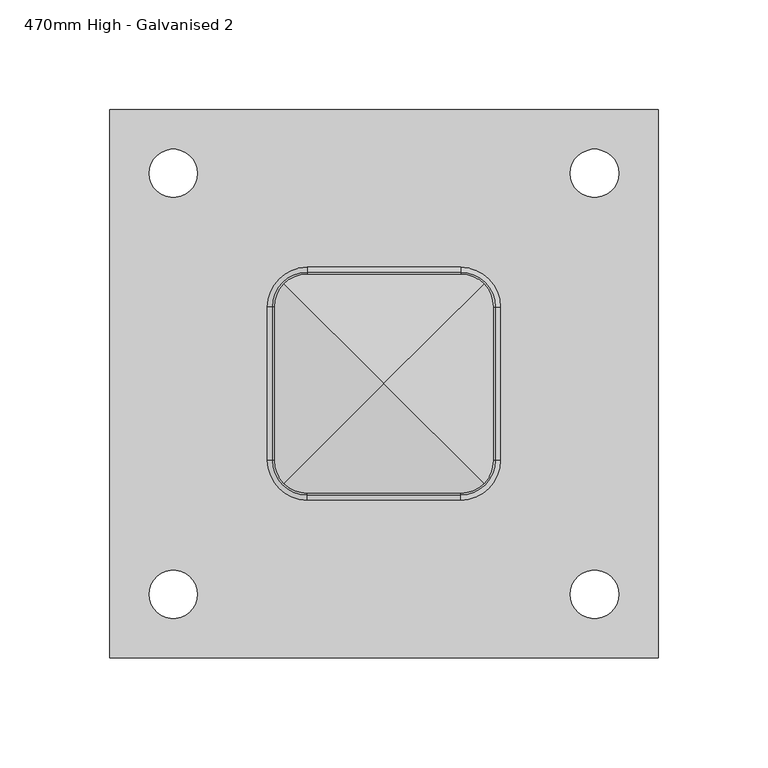
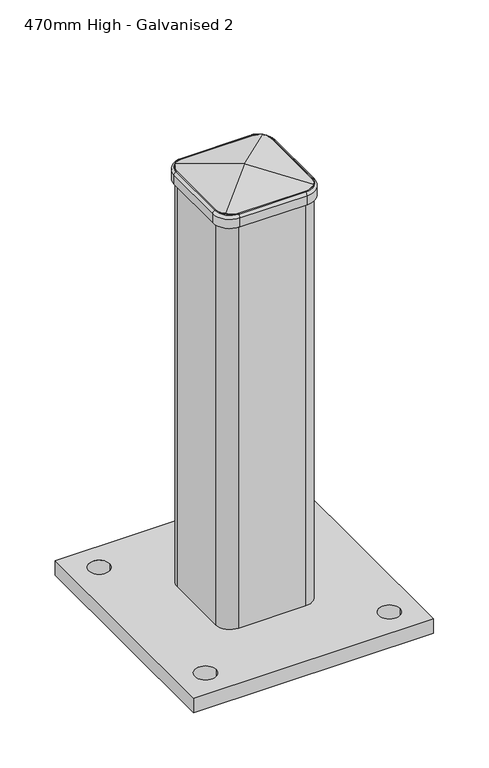
"""IFC4 building model written with IfcOpenShell, lengths in millimetres: proxy geometry, 470mm High - Galvanised 2."""

from ifc_helpers import new_model, si_unit, point, frame, origin, place, context, project, spatial, polyline, circle_curve, ellipse_curve, trimmed, source, transform, mapped, element, save
from ifc_brep_helpers import plane_surface, cylinder_surface, revolved_surface, advanced_brep


def proxy_470mm_high_galvanised_2_af243f26(model_context):
    return source(origin(), model_context, "Body", "AdvancedBrep", [
        advanced_brep(
        [(1345.0, -125.0, 16.0), (1345.0, 125.0, 16.0), (1095.0, 125.0, 16.0), (1095.0, -125.0, 16.0), (1113.0, 96.0, 16.0), (1135.0, 96.0, 16.0), (1305.0, 96.0, 16.0), (1327.0, 96.0, 16.0), (1113.0, -96.0, 16.0), (1135.0, -96.0, 16.0), (1305.0, -96.0, 16.0), (1327.0, -96.0, 16.0), (1270.0, 35.0, 16.0), (1270.0, -35.0, 16.0), (1255.0, -50.0, 16.0), (1185.0, -50.0, 16.0), (1170.0, -35.0, 16.0), (1170.0, 35.0, 16.0), (1185.0, 50.0, 16.0), (1255.0, 50.0, 16.0), (1264.0, 35.0, 16.0), (1255.0, 44.0, 16.0), (1185.0, 44.0, 16.0), (1176.0, 35.0, 16.0), (1176.0, -35.0, 16.0), (1185.0, -44.0, 16.0), (1255.0, -44.0, 16.0), (1264.0, -35.0, 16.0), (1345.0, -125.0, 0.0), (1095.0, -125.0, 0.0), (1095.0, 125.0, 0.0), (1345.0, 125.0, 0.0), (1113.0, 96.0, 0.0), (1135.0, 96.0, 0.0), (1305.0, 96.0, 0.0), (1327.0, 96.0, 0.0), (1113.0, -96.0, 0.0), (1135.0, -96.0, 0.0), (1305.0, -96.0, 0.0), (1327.0, -96.0, 0.0), (1270.0, -35.0, 470.0), (1270.0, 35.0, 470.0), (1255.0, 50.0, 470.0), (1185.0, 50.0, 470.0), (1170.0, 35.0, 470.0), (1170.0, -35.0, 470.0), (1185.0, -50.0, 470.0), (1255.0, -50.0, 470.0), (1255.0, 44.0, 470.0), (1264.0, 35.0, 470.0), (1264.0, -35.0, 470.0), (1255.0, -44.0, 470.0), (1185.0, -44.0, 470.0), (1176.0, -35.0, 470.0), (1176.0, 35.0, 470.0), (1185.0, 44.0, 470.0)],
        [
            (0, 1),
            (1, 2),
            (2, 3),
            (3, 0),
            (4, 5, circle_curve(frame((1124.0, 96.0, 16.0), z_axis=(0.0, 0.0, -1.0), x_axis=(1.0, 0.0, 0.0)), 11.0)),
            (5, 4, circle_curve(frame((1124.0, 96.0, 16.0), z_axis=(0.0, 0.0, -1.0), x_axis=(1.0, 0.0, 0.0)), 11.0)),
            (6, 7, circle_curve(frame((1316.0, 96.0, 16.0), z_axis=(0.0, 0.0, -1.0), x_axis=(1.0, 0.0, 0.0)), 11.0)),
            (7, 6, circle_curve(frame((1316.0, 96.0, 16.0), z_axis=(0.0, 0.0, -1.0), x_axis=(1.0, 0.0, 0.0)), 11.0)),
            (8, 9, circle_curve(frame((1124.0, -96.0, 16.0), z_axis=(0.0, 0.0, -1.0), x_axis=(1.0, 0.0, 0.0)), 11.0)),
            (9, 8, circle_curve(frame((1124.0, -96.0, 16.0), z_axis=(0.0, 0.0, -1.0), x_axis=(1.0, 0.0, 0.0)), 11.0)),
            (10, 11, circle_curve(frame((1316.0, -96.0, 16.0), z_axis=(0.0, 0.0, -1.0), x_axis=(1.0, 0.0, 0.0)), 11.0)),
            (11, 10, circle_curve(frame((1316.0, -96.0, 16.0), z_axis=(0.0, 0.0, -1.0), x_axis=(1.0, 0.0, 0.0)), 11.0)),
            (12, 13),
            (13, 14, circle_curve(frame((1255.0, -35.0, 16.0), z_axis=(0.0, 0.0, -1.0), x_axis=(-1.0, 0.0, 0.0)), 15.0)),
            (14, 15),
            (15, 16, circle_curve(frame((1185.0, -35.0, 16.0), z_axis=(0.0, 0.0, -1.0), x_axis=(-1.0, 0.0, 0.0)), 15.0)),
            (16, 17),
            (17, 18, circle_curve(frame((1185.0, 35.0, 16.0), z_axis=(0.0, 0.0, -1.0), x_axis=(-1.0, 0.0, 0.0)), 15.0)),
            (18, 19),
            (19, 12, circle_curve(frame((1255.0, 35.0, 16.0), z_axis=(0.0, 0.0, -1.0), x_axis=(-1.0, 0.0, 0.0)), 15.0)),
            (20, 21, circle_curve(frame((1255.0, 35.0, 16.0), z_axis=(0.0, 0.0, 1.0), x_axis=(-1.0, 0.0, 0.0)), 9.0)),
            (21, 22),
            (22, 23, circle_curve(frame((1185.0, 35.0, 16.0), z_axis=(0.0, 0.0, 1.0), x_axis=(-1.0, 0.0, 0.0)), 9.0)),
            (23, 24),
            (24, 25, circle_curve(frame((1185.0, -35.0, 16.0), z_axis=(0.0, 0.0, 1.0), x_axis=(-1.0, 0.0, 0.0)), 9.0)),
            (25, 26),
            (26, 27, circle_curve(frame((1255.0, -35.0, 16.0), z_axis=(0.0, 0.0, 1.0), x_axis=(-1.0, 0.0, 0.0)), 9.0)),
            (27, 20),
            (28, 29),
            (29, 30),
            (30, 31),
            (31, 28),
            (32, 33, circle_curve(frame((1124.0, 96.0, 0.0), z_axis=(0.0, 0.0, 1.0), x_axis=(1.0, 0.0, 0.0)), 11.0)),
            (33, 32, circle_curve(frame((1124.0, 96.0, 0.0), z_axis=(0.0, 0.0, 1.0), x_axis=(1.0, 0.0, 0.0)), 11.0)),
            (34, 35, circle_curve(frame((1316.0, 96.0, 0.0), z_axis=(0.0, 0.0, 1.0), x_axis=(1.0, 0.0, 0.0)), 11.0)),
            (35, 34, circle_curve(frame((1316.0, 96.0, 0.0), z_axis=(0.0, 0.0, 1.0), x_axis=(1.0, 0.0, 0.0)), 11.0)),
            (36, 37, circle_curve(frame((1124.0, -96.0, 0.0), z_axis=(0.0, 0.0, 1.0), x_axis=(1.0, 0.0, 0.0)), 11.0)),
            (37, 36, circle_curve(frame((1124.0, -96.0, 0.0), z_axis=(0.0, 0.0, 1.0), x_axis=(1.0, 0.0, 0.0)), 11.0)),
            (38, 39, circle_curve(frame((1316.0, -96.0, 0.0), z_axis=(0.0, 0.0, 1.0), x_axis=(1.0, 0.0, 0.0)), 11.0)),
            (39, 38, circle_curve(frame((1316.0, -96.0, 0.0), z_axis=(0.0, 0.0, 1.0), x_axis=(1.0, 0.0, 0.0)), 11.0)),
            (0, 28),
            (31, 1),
            (30, 2),
            (29, 3),
            (4, 32),
            (33, 5),
            (6, 34),
            (35, 7),
            (8, 36),
            (37, 9),
            (10, 38),
            (39, 11),
            (40, 41),
            (41, 42, circle_curve(frame((1255.0, 35.0, 470.0), z_axis=(0.0, 0.0, 1.0), x_axis=(-1.0, 0.0, 0.0)), 15.0)),
            (42, 43),
            (43, 44, circle_curve(frame((1185.0, 35.0, 470.0), z_axis=(0.0, 0.0, 1.0), x_axis=(-1.0, 0.0, 0.0)), 15.0)),
            (44, 45),
            (45, 46, circle_curve(frame((1185.0, -35.0, 470.0), z_axis=(0.0, 0.0, 1.0), x_axis=(-1.0, 0.0, 0.0)), 15.0)),
            (46, 47),
            (47, 40, circle_curve(frame((1255.0, -35.0, 470.0), z_axis=(0.0, 0.0, 1.0), x_axis=(-1.0, 0.0, 0.0)), 15.0)),
            (48, 49, circle_curve(frame((1255.0, 35.0, 470.0), z_axis=(0.0, 0.0, -1.0), x_axis=(-1.0, 0.0, 0.0)), 9.0)),
            (49, 50),
            (50, 51, circle_curve(frame((1255.0, -35.0, 470.0), z_axis=(0.0, 0.0, -1.0), x_axis=(-1.0, 0.0, 0.0)), 9.0)),
            (51, 52),
            (52, 53, circle_curve(frame((1185.0, -35.0, 470.0), z_axis=(0.0, 0.0, -1.0), x_axis=(-1.0, 0.0, 0.0)), 9.0)),
            (53, 54),
            (54, 55, circle_curve(frame((1185.0, 35.0, 470.0), z_axis=(0.0, 0.0, -1.0), x_axis=(-1.0, 0.0, 0.0)), 9.0)),
            (55, 48),
            (40, 13),
            (12, 41),
            (19, 42),
            (18, 43),
            (17, 44),
            (16, 45),
            (15, 46),
            (14, 47),
            (48, 21),
            (20, 49),
            (27, 50),
            (26, 51),
            (25, 52),
            (24, 53),
            (23, 54),
            (22, 55),
        ],
        [
            plane_surface(frame((1345.0, 314.3329913, 16.0), z_axis=(0.0, 0.0, 1.0), x_axis=(0.0, 1.0, 0.0))),
            plane_surface(frame((1345.0, 314.3329913, 0.0), z_axis=(0.0, 0.0, -1.0), x_axis=(0.0, -1.0, 0.0))),
            plane_surface(frame((1345.0, -125.0, 16.0), z_axis=(1.0, 0.0, 0.0), x_axis=(0.0, 0.0, -1.0))),
            plane_surface(frame((1345.0, 125.0, 16.0), z_axis=(0.0, 1.0, 0.0), x_axis=(0.0, 0.0, -1.0))),
            plane_surface(frame((1095.0, 125.0, 16.0), z_axis=(-1.0, 0.0, 0.0), x_axis=(0.0, 0.0, -1.0))),
            plane_surface(frame((1095.0, -125.0, 16.0), z_axis=(0.0, -1.0, 0.0), x_axis=(0.0, 0.0, -1.0))),
            revolved_surface(polyline([(1135.0, 96.0, 0.0), (1135.0, 96.0, 16.0)]), (1124.0, 96.0, 0.0), (0.0, 0.0, -1.0)),
            revolved_surface(polyline([(1327.0, 96.0, 0.0), (1327.0, 96.0, 16.0)]), (1316.0, 96.0, 0.0), (0.0, 0.0, -1.0)),
            revolved_surface(polyline([(1135.0, -96.0, 0.0), (1135.0, -96.0, 16.0)]), (1124.0, -96.0, 0.0), (0.0, 0.0, -1.0)),
            revolved_surface(polyline([(1327.0, -96.0, 0.0), (1327.0, -96.0, 16.0)]), (1316.0, -96.0, 0.0), (0.0, 0.0, -1.0)),
            plane_surface(frame((1270.0, 314.3329913, 470.0), z_axis=(0.0, 0.0, 1.0), x_axis=(0.0, 1.0, 0.0))),
            plane_surface(frame((1270.0, -35.0, 470.0), z_axis=(1.0, 0.0, 0.0), x_axis=(0.0, 0.0, -1.0))),
            cylinder_surface(frame((1255.0, 35.0, 16.0), z_axis=(0.0, 0.0, 1.0), x_axis=(-1.0, 0.0, 0.0)), 15.0),
            plane_surface(frame((1255.0, 50.0, 470.0), z_axis=(0.0, 1.0, 0.0), x_axis=(0.0, 0.0, -1.0))),
            cylinder_surface(frame((1185.0, 35.0, 16.0), z_axis=(0.0, 0.0, 1.0), x_axis=(-1.0, 0.0, 0.0)), 15.0),
            plane_surface(frame((1170.0, 35.0, 470.0), z_axis=(-1.0, 0.0, 0.0), x_axis=(0.0, 0.0, -1.0))),
            cylinder_surface(frame((1185.0, -35.0, 16.0), z_axis=(0.0, 0.0, 1.0), x_axis=(-1.0, 0.0, 0.0)), 15.0),
            plane_surface(frame((1185.0, -50.0, 470.0), z_axis=(0.0, -1.0, 0.0), x_axis=(0.0, 0.0, -1.0))),
            cylinder_surface(frame((1255.0, -35.0, 16.0), z_axis=(0.0, 0.0, 1.0), x_axis=(-1.0, 0.0, 0.0)), 15.0),
            revolved_surface(polyline([(1246.0, 35.0, 16.0), (1246.0, 35.0, 470.0)]), (1255.0, 35.0, 16.0), (0.0, 0.0, -1.0)),
            plane_surface(frame((1264.0, 35.0, 470.0), z_axis=(-1.0, 0.0, 0.0), x_axis=(0.0, 0.0, -1.0))),
            revolved_surface(polyline([(1246.0, -35.0, 16.0), (1246.0, -35.0, 470.0)]), (1255.0, -35.0, 16.0), (0.0, 0.0, -1.0)),
            plane_surface(frame((1255.0, -44.0, 470.0), z_axis=(0.0, 1.0, 0.0), x_axis=(0.0, 0.0, -1.0))),
            revolved_surface(polyline([(1176.0, -35.0, 16.0), (1176.0, -35.0, 470.0)]), (1185.0, -35.0, 16.0), (0.0, 0.0, -1.0)),
            plane_surface(frame((1176.0, -35.0, 470.0), z_axis=(1.0, 0.0, 0.0), x_axis=(0.0, 0.0, -1.0))),
            revolved_surface(polyline([(1176.0, 35.0, 16.0), (1176.0, 35.0, 470.0)]), (1185.0, 35.0, 16.0), (0.0, 0.0, -1.0)),
            plane_surface(frame((1185.0, 44.0, 470.0), z_axis=(0.0, -1.0, 0.0), x_axis=(0.0, 0.0, -1.0))),
        ],
        [
            (0, [[1, 2, 3, 4], [5, 6], [7, 8], [9, 10], [11, 12], [13, 14, 15, 16, 17, 18, 19, 20]]),
            (0, [[21, 22, 23, 24, 25, 26, 27, 28]]),
            (1, [[29, 30, 31, 32], [33, 34], [35, 36], [37, 38], [39, 40]]),
            (2, [[-1, 41, -32, 42]]),
            (3, [[-2, -42, -31, 43]]),
            (4, [[-3, -43, -30, 44]]),
            (5, [[-4, -44, -29, -41]]),
            (6, [[-5, 45, -34, 46]]),
            (6, [[-6, -46, -33, -45]]),
            (7, [[-7, 47, -36, 48]]),
            (7, [[-8, -48, -35, -47]]),
            (8, [[-9, 49, -38, 50]]),
            (8, [[-10, -50, -37, -49]]),
            (9, [[-11, 51, -40, 52]]),
            (9, [[-12, -52, -39, -51]]),
            (10, [[53, 54, 55, 56, 57, 58, 59, 60], [61, 62, 63, 64, 65, 66, 67, 68]]),
            (11, [[-53, 69, -13, 70]]),
            (12, [[-54, -70, -20, 71]]),
            (13, [[-55, -71, -19, 72]]),
            (14, [[-56, -72, -18, 73]]),
            (15, [[-57, -73, -17, 74]]),
            (16, [[-58, -74, -16, 75]]),
            (17, [[-59, -75, -15, 76]]),
            (18, [[-60, -76, -14, -69]]),
            (19, [[-61, 77, -21, 78]]),
            (20, [[-62, -78, -28, 79]]),
            (21, [[-63, -79, -27, 80]]),
            (22, [[-64, -80, -26, 81]]),
            (23, [[-65, -81, -25, 82]]),
            (24, [[-66, -82, -24, 83]]),
            (25, [[-67, -83, -23, 84]]),
            (26, [[-68, -84, -22, -77]]),
        ],
    ),
        advanced_brep(
        [(1255.0, -50.0, 473.0849886), (1270.0, -35.0, 473.0849886), (1270.0, -35.0, 460.0), (1255.0, -50.0, 460.0), (1255.0, -50.771088, 472.899696), (1270.771088, -35.0, 472.899696), (1255.0, -53.0701411, 469.9827329), (1273.0701411, -35.0, 469.9827329), (1255.0, -53.0701411, 460.0), (1273.0701411, -35.0, 460.0), (1185.0, -50.0, 460.0), (1185.0, -50.0, 473.0849886), (1185.0, -50.771088, 472.899696), (1185.0, -53.0701411, 469.9827329), (1185.0, -53.0701411, 460.0), (1170.0, -35.0, 473.0849886), (1170.0, -35.0, 460.0), (1169.228912, -35.0, 472.899696), (1166.9298589, -35.0, 469.9827329), (1166.9298589, -35.0, 460.0), (1170.0, 35.0, 460.0), (1170.0, 35.0, 473.0849886), (1169.228912, 35.0, 472.899696), (1166.9298589, 35.0, 469.9827329), (1166.9298589, 35.0, 460.0), (1185.0, 50.0, 473.0849886), (1185.0, 50.0, 460.0), (1185.0, 50.771088, 472.899696), (1185.0, 53.0701411, 469.9827329), (1185.0, 53.0701411, 460.0), (1255.0, 50.0, 460.0), (1255.0, 50.0, 473.0849886), (1255.0, 50.771088, 472.899696), (1255.0, 53.0701411, 469.9827329), (1255.0, 53.0701411, 460.0), (1270.0, 35.0, 473.0849886), (1270.0, 35.0, 460.0), (1270.771088, 35.0, 472.899696), (1273.0701411, 35.0, 469.9827329), (1273.0701411, 35.0, 460.0)],
        [
            (0, 1, circle_curve(frame((1255.0, -35.0, 473.0849886), z_axis=(0.0, 0.0, 1.0), x_axis=(1.0, 0.0, 0.0)), 15.0)),
            (1, 2),
            (2, 3, circle_curve(frame((1255.0, -35.0, 460.0), z_axis=(0.0, 0.0, -1.0), x_axis=(1.0, 0.0, 0.0)), 15.0)),
            (3, 0),
            (4, 5, circle_curve(frame((1255.0, -35.0, 472.899696), z_axis=(0.0, 0.0, 1.0), x_axis=(1.0, 0.0, 0.0)), 15.771088)),
            (5, 1),
            (0, 4),
            (6, 7, circle_curve(frame((1255.0, -35.0, 469.9827329), z_axis=(0.0, 0.0, 1.0), x_axis=(1.0, 0.0, 0.0)), 18.0701411)),
            (7, 5, circle_curve(frame((1270.0701411, -35.0, 469.9827329), z_axis=(0.0, -1.0, 0.0), x_axis=(-1.0, 0.0, 0.0)), 3.0)),
            (4, 6, circle_curve(frame((1255.0, -50.0701411, 469.9827329), z_axis=(1.0, 0.0, 0.0), x_axis=(0.0, 1.0, 0.0)), 3.0)),
            (8, 9, circle_curve(frame((1255.0, -35.0, 460.0), z_axis=(0.0, 0.0, 1.0), x_axis=(1.0, 0.0, 0.0)), 18.0701411)),
            (9, 7),
            (6, 8),
            (3, 10),
            (10, 11),
            (11, 0),
            (11, 12),
            (12, 4),
            (12, 13, circle_curve(frame((1185.0, -50.0701411, 469.9827329), z_axis=(1.0, 0.0, 0.0), x_axis=(0.0, 1.0, 0.0)), 3.0)),
            (13, 6),
            (13, 14),
            (14, 8),
            (15, 11, circle_curve(frame((1185.0, -35.0, 473.0849886), z_axis=(0.0, 0.0, 1.0), x_axis=(0.0, -1.0, 0.0)), 15.0)),
            (10, 16, circle_curve(frame((1185.0, -35.0, 460.0), z_axis=(0.0, 0.0, -1.0), x_axis=(0.0, -1.0, 0.0)), 15.0)),
            (16, 15),
            (17, 12, circle_curve(frame((1185.0, -35.0, 472.899696), z_axis=(0.0, 0.0, 1.0), x_axis=(0.0, -1.0, 0.0)), 15.771088)),
            (15, 17),
            (18, 13, circle_curve(frame((1185.0, -35.0, 469.9827329), z_axis=(0.0, 0.0, 1.0), x_axis=(0.0, -1.0, 0.0)), 18.0701411)),
            (17, 18, circle_curve(frame((1169.9298589, -35.0, 469.9827329), z_axis=(0.0, -1.0, 0.0), x_axis=(1.0, 0.0, 0.0)), 3.0)),
            (19, 14, circle_curve(frame((1185.0, -35.0, 460.0), z_axis=(0.0, 0.0, 1.0), x_axis=(0.0, -1.0, 0.0)), 18.0701411)),
            (18, 19),
            (16, 20),
            (20, 21),
            (21, 15),
            (21, 22),
            (22, 17),
            (22, 23, circle_curve(frame((1169.9298589, 35.0, 469.9827329), z_axis=(0.0, -1.0, 0.0), x_axis=(1.0, 0.0, 0.0)), 3.0)),
            (23, 18),
            (23, 24),
            (24, 19),
            (25, 21, circle_curve(frame((1185.0, 35.0, 473.0849886), z_axis=(0.0, 0.0, 1.0), x_axis=(-1.0, 0.0, 0.0)), 15.0)),
            (20, 26, circle_curve(frame((1185.0, 35.0, 460.0), z_axis=(0.0, 0.0, -1.0), x_axis=(-1.0, 0.0, 0.0)), 15.0)),
            (26, 25),
            (27, 22, circle_curve(frame((1185.0, 35.0, 472.899696), z_axis=(0.0, 0.0, 1.0), x_axis=(-1.0, 0.0, 0.0)), 15.771088)),
            (25, 27),
            (28, 23, circle_curve(frame((1185.0, 35.0, 469.9827329), z_axis=(0.0, 0.0, 1.0), x_axis=(-1.0, 0.0, 0.0)), 18.0701411)),
            (27, 28, circle_curve(frame((1185.0, 50.0701411, 469.9827329), z_axis=(-1.0, 0.0, 0.0), x_axis=(0.0, -1.0, 0.0)), 3.0)),
            (29, 24, circle_curve(frame((1185.0, 35.0, 460.0), z_axis=(0.0, 0.0, 1.0), x_axis=(-1.0, 0.0, 0.0)), 18.0701411)),
            (28, 29),
            (26, 30),
            (30, 31),
            (31, 25),
            (31, 32),
            (32, 27),
            (32, 33, circle_curve(frame((1255.0, 50.0701411, 469.9827329), z_axis=(-1.0, 0.0, 0.0), x_axis=(0.0, -1.0, 0.0)), 3.0)),
            (33, 28),
            (33, 34),
            (34, 29),
            (35, 31, circle_curve(frame((1255.0, 35.0, 473.0849886), z_axis=(0.0, 0.0, 1.0), x_axis=(0.0, 1.0, 0.0)), 15.0)),
            (30, 36, circle_curve(frame((1255.0, 35.0, 460.0), z_axis=(0.0, 0.0, -1.0), x_axis=(0.0, 1.0, 0.0)), 15.0)),
            (36, 35),
            (37, 32, circle_curve(frame((1255.0, 35.0, 472.899696), z_axis=(0.0, 0.0, 1.0), x_axis=(0.0, 1.0, 0.0)), 15.771088)),
            (35, 37),
            (38, 33, circle_curve(frame((1255.0, 35.0, 469.9827329), z_axis=(0.0, 0.0, 1.0), x_axis=(0.0, 1.0, 0.0)), 18.0701411)),
            (37, 38, circle_curve(frame((1270.0701411, 35.0, 469.9827329), z_axis=(0.0, 1.0, 0.0), x_axis=(-1.0, 0.0, 0.0)), 3.0)),
            (39, 34, circle_curve(frame((1255.0, 35.0, 460.0), z_axis=(0.0, 0.0, 1.0), x_axis=(0.0, 1.0, 0.0)), 18.0701411)),
            (38, 39),
            (39, 9),
            (2, 36),
            (1, 35),
            (5, 37),
            (7, 38),
        ],
        [
            revolved_surface(polyline([(1270.0, -35.0, 460.0), (1270.0, -35.0, 473.0849886)]), (1255.0, -35.0, 470.0), (0.0, 0.0, -1.0)),
            revolved_surface(polyline([(1270.0, -35.0, 473.0849886), (1270.771088, -35.0, 472.899696)]), (1255.0, -35.0, 470.0), (0.0, 0.0, -1.0)),
            revolved_surface(trimmed(ellipse_curve(frame((1270.0701411, -35.0, 469.9827329), z_axis=(0.0, 1.0, 0.0), x_axis=(-1.0, 0.0, 0.0)), 3.0, 3.0), [point((1270.771088, -35.0, 472.899696))], [point((1273.0701411, -35.0, 469.9827329))], True, "CARTESIAN"), (1255.0, -35.0, 470.0), (0.0, 0.0, -1.0)),
            cylinder_surface(frame((1255.0, -35.0, 470.0), z_axis=(0.0, 0.0, -1.0), x_axis=(1.0, 0.0, 0.0)), 18.0701411),
            plane_surface(frame((1255.0, -50.0, 460.0), z_axis=(0.0, 1.0, 0.0), x_axis=(-1.0, 0.0, 0.0))),
            plane_surface(frame((1255.0, -50.0, 473.0849886), z_axis=(0.0, -0.23364896259536563, 0.9723210181201009), x_axis=(-1.0, 0.0, 0.0))),
            cylinder_surface(frame((1255.0, -50.0701411, 469.9827329), z_axis=(1.0, 0.0, 0.0), x_axis=(0.0, 1.0, 0.0)), 3.0),
            plane_surface(frame((1255.0, -53.0701411, 469.9827329), z_axis=(0.0, -1.0, 0.0), x_axis=(-1.0, 0.0, 0.0))),
            revolved_surface(polyline([(1185.0, -50.0, 460.0), (1185.0, -50.0, 473.0849886)]), (1185.0, -35.0, 470.0), (0.0, 0.0, -1.0)),
            revolved_surface(polyline([(1185.0, -50.0, 473.0849886), (1185.0, -50.771088, 472.899696)]), (1185.0, -35.0, 470.0), (0.0, 0.0, -1.0)),
            revolved_surface(trimmed(ellipse_curve(frame((1185.0, -50.0701411, 469.9827329), z_axis=(1.0, 0.0, 0.0), x_axis=(0.0, 1.0, 0.0)), 3.0, 3.0), [point((1185.0, -50.771088, 472.899696))], [point((1185.0, -53.0701411, 469.9827329))], True, "CARTESIAN"), (1185.0, -35.0, 470.0), (0.0, 0.0, -1.0)),
            cylinder_surface(frame((1185.0, -35.0, 470.0), z_axis=(0.0, 0.0, -1.0), x_axis=(0.0, -1.0, 0.0)), 18.0701411),
            plane_surface(frame((1170.0, -35.0, 460.0), z_axis=(1.0, 0.0, 0.0), x_axis=(0.0, 1.0, 0.0))),
            plane_surface(frame((1170.0, -35.0, 473.0849886), z_axis=(-0.23364896259536252, 0.0, 0.9723210181201016), x_axis=(0.0, 1.0, 0.0))),
            cylinder_surface(frame((1169.9298589, -35.0, 469.9827329), z_axis=(0.0, -1.0, 0.0), x_axis=(1.0, 0.0, 0.0)), 3.0),
            plane_surface(frame((1166.9298589, -35.0, 469.9827329), z_axis=(-1.0, 0.0, 0.0), x_axis=(0.0, 1.0, 0.0))),
            revolved_surface(polyline([(1170.0, 35.0, 460.0), (1170.0, 35.0, 473.0849886)]), (1185.0, 35.0, 470.0), (0.0, 0.0, -1.0)),
            revolved_surface(polyline([(1170.0, 35.0, 473.0849886), (1169.228912, 35.0, 472.899696)]), (1185.0, 35.0, 470.0), (0.0, 0.0, -1.0)),
            revolved_surface(trimmed(ellipse_curve(frame((1169.9298589, 35.0, 469.9827329), z_axis=(0.0, -1.0, 0.0), x_axis=(1.0, 0.0, 0.0)), 3.0, 3.0), [point((1169.228912, 35.0, 472.899696))], [point((1166.9298589, 35.0, 469.9827329))], True, "CARTESIAN"), (1185.0, 35.0, 470.0), (0.0, 0.0, -1.0)),
            cylinder_surface(frame((1185.0, 35.0, 470.0), z_axis=(0.0, 0.0, -1.0), x_axis=(-1.0, 0.0, 0.0)), 18.0701411),
            plane_surface(frame((1185.0, 50.0, 460.0), z_axis=(0.0, -1.0, 0.0), x_axis=(1.0, 0.0, 0.0))),
            plane_surface(frame((1185.0, 50.0, 473.0849886), z_axis=(0.0, 0.23364896259536563, 0.9723210181201009), x_axis=(1.0, 0.0, 0.0))),
            cylinder_surface(frame((1185.0, 50.0701411, 469.9827329), z_axis=(-1.0, 0.0, 0.0), x_axis=(0.0, -1.0, 0.0)), 3.0),
            plane_surface(frame((1185.0, 53.0701411, 469.9827329), z_axis=(0.0, 1.0, 0.0), x_axis=(1.0, 0.0, 0.0))),
            revolved_surface(polyline([(1255.0, 50.0, 460.0), (1255.0, 50.0, 473.0849886)]), (1255.0, 35.0, 470.0), (0.0, 0.0, -1.0)),
            revolved_surface(polyline([(1255.0, 50.0, 473.0849886), (1255.0, 50.771088, 472.899696)]), (1255.0, 35.0, 470.0), (0.0, 0.0, -1.0)),
            revolved_surface(trimmed(ellipse_curve(frame((1255.0, 50.0701411, 469.9827329), z_axis=(-1.0, 0.0, 0.0), x_axis=(0.0, -1.0, 0.0)), 3.0, 3.0), [point((1255.0, 50.771088, 472.899696))], [point((1255.0, 53.0701411, 469.9827329))], True, "CARTESIAN"), (1255.0, 35.0, 470.0), (0.0, 0.0, -1.0)),
            cylinder_surface(frame((1255.0, 35.0, 470.0), z_axis=(0.0, 0.0, -1.0), x_axis=(0.0, 1.0, 0.0)), 18.0701411),
            plane_surface(frame((1273.0701411, 35.0, 460.0), z_axis=(0.0, 0.0, -1.0), x_axis=(0.0, -1.0, 0.0))),
            plane_surface(frame((1270.0, 35.0, 460.0), z_axis=(-1.0, 0.0, 0.0), x_axis=(0.0, -1.0, 0.0))),
            plane_surface(frame((1270.0, 35.0, 473.0849886), z_axis=(0.23364896259536874, 0.0, 0.9723210181201001), x_axis=(0.0, -1.0, 0.0))),
            cylinder_surface(frame((1270.0701411, 35.0, 469.9827329), z_axis=(0.0, 1.0, 0.0), x_axis=(-1.0, 0.0, 0.0)), 3.0),
            plane_surface(frame((1273.0701411, 35.0, 469.9827329), z_axis=(1.0, 0.0, 0.0), x_axis=(0.0, -1.0, 0.0))),
        ],
        [
            (0, [[1, 2, 3, 4]]),
            (1, [[5, 6, -1, 7]]),
            (2, [[8, 9, -5, 10]]),
            (3, [[11, 12, -8, 13]]),
            (4, [[-4, 14, 15, 16]]),
            (5, [[-7, -16, 17, 18]]),
            (6, [[-10, -18, 19, 20]]),
            (7, [[-13, -20, 21, 22]]),
            (8, [[23, -15, 24, 25]]),
            (9, [[26, -17, -23, 27]]),
            (10, [[28, -19, -26, 29]]),
            (11, [[30, -21, -28, 31]]),
            (12, [[-25, 32, 33, 34]]),
            (13, [[-27, -34, 35, 36]]),
            (14, [[-29, -36, 37, 38]]),
            (15, [[-31, -38, 39, 40]]),
            (16, [[41, -33, 42, 43]]),
            (17, [[44, -35, -41, 45]]),
            (18, [[46, -37, -44, 47]]),
            (19, [[48, -39, -46, 49]]),
            (20, [[-43, 50, 51, 52]]),
            (21, [[-45, -52, 53, 54]]),
            (22, [[-47, -54, 55, 56]]),
            (23, [[-49, -56, 57, 58]]),
            (24, [[59, -51, 60, 61]]),
            (25, [[62, -53, -59, 63]]),
            (26, [[64, -55, -62, 65]]),
            (27, [[66, -57, -64, 67]]),
            (28, [[-58, -66, 68, -11, -22, -30, -40, -48], [69, -60, -50, -42, -32, -24, -14, -3]]),
            (29, [[-61, -69, -2, 70]]),
            (30, [[-63, -70, -6, 71]]),
            (31, [[-65, -71, -9, 72]]),
            (32, [[-67, -72, -12, -68]]),
        ],
    ),
        advanced_brep(
        [(1255.0, 50.0, 470.0), (1270.0, 35.0, 470.0), (1270.0, -35.0, 470.0), (1255.0, -50.0, 470.0), (1185.0, -50.0, 470.0), (1170.0, -35.0, 470.0), (1170.0, 35.0, 470.0), (1185.0, 50.0, 470.0), (1185.0, 50.0, 473.0271175), (1255.0, 50.0, 473.0271175), (1170.0, 35.0, 473.0767498), (1174.2998764, 45.5122478, 474.1107196), (1170.0, -35.0, 473.0767498), (1185.0, -50.0, 473.001729), (1174.2525077, -45.4638143, 474.0993291), (1255.0, -50.0, 473.001729), (1270.0, -35.0, 473.0849886), (1265.7629015, -45.4479639, 474.1031643), (1270.0, 35.0, 473.0849886), (1265.7156042, 45.4964674, 474.1145299), (1220.0, 0.0, 485.1)],
        [
            (0, 1, circle_curve(frame((1255.0, 35.0, 470.0), z_axis=(0.0, 0.0, -1.0), x_axis=(-1.0, 0.0, 0.0)), 15.0)),
            (1, 2),
            (2, 3, circle_curve(frame((1255.0, -35.0, 470.0), z_axis=(0.0, 0.0, -1.0), x_axis=(-1.0, 0.0, 0.0)), 15.0)),
            (3, 4),
            (4, 5, circle_curve(frame((1185.0, -35.0, 470.0), z_axis=(0.0, 0.0, -1.0), x_axis=(-1.0, 0.0, 0.0)), 15.0)),
            (5, 6),
            (6, 7, circle_curve(frame((1185.0, 35.0, 470.0), z_axis=(0.0, 0.0, -1.0), x_axis=(-1.0, 0.0, 0.0)), 15.0)),
            (7, 0),
            (7, 8),
            (8, 9),
            (9, 0),
            (6, 10),
            (10, 11, ellipse_curve(frame((1185.0, 35.0, 476.6837248), z_axis=(0.23380042293520142, 0.0, -0.9722846096875755), x_axis=(0.9722846096875754, 0.0, 0.23380042293520162)), 15.4275814, 15.0)),
            (11, 8, ellipse_curve(frame((1185.0, 35.0, 476.6489822), z_axis=(0.0, -0.23471249169752223, -0.9720648364389799), x_axis=(0.0, -0.9720648364389799, 0.23471249169752154)), 15.4310694, 15.0)),
            (5, 12),
            (12, 10),
            (4, 13),
            (13, 14, ellipse_curve(frame((1185.0, -35.0, 476.6312103), z_axis=(0.0, 0.23517880390622156, -0.9719521234059006), x_axis=(0.0, 0.9719521234059006, 0.23517880390622095)), 15.4328589, 15.0)),
            (14, 12, ellipse_curve(frame((1185.0, -35.0, 476.6837248), z_axis=(0.23380042293520142, 0.0, -0.9722846096875755), x_axis=(0.9722846096875754, 0.0, 0.23380042293520162)), 15.4275814, 15.0)),
            (3, 15),
            (15, 13),
            (2, 16),
            (16, 17, ellipse_curve(frame((1255.0, -35.0, 476.689492), z_axis=(-0.23364896259631, 0.0, -0.9723210181198739), x_axis=(-0.9723210181198739, 0.0, 0.2336489625963094)), 15.4270038, 15.0)),
            (17, 15, ellipse_curve(frame((1255.0, -35.0, 476.6312103), z_axis=(0.0, 0.23517880390622156, -0.9719521234059006), x_axis=(0.0, 0.9719521234059006, 0.23517880390622095)), 15.4328589, 15.0)),
            (1, 18),
            (18, 16),
            (9, 19, ellipse_curve(frame((1255.0, 35.0, 476.6489822), z_axis=(0.0, -0.23471249169752223, -0.9720648364389799), x_axis=(0.0, -0.9720648364389799, 0.23471249169752154)), 15.4310694, 15.0)),
            (19, 18, ellipse_curve(frame((1255.0, 35.0, 476.689492), z_axis=(-0.23364896259631, 0.0, -0.9723210181198739), x_axis=(-0.9723210181198739, 0.0, 0.2336489625963094)), 15.4270038, 15.0)),
            (19, 20),
            (20, 17),
            (14, 20),
            (20, 11),
        ],
        [
            plane_surface(frame((1185.0, 50.0, 470.0), z_axis=(0.0, 0.0, -1.0), x_axis=(1.0, 0.0, 0.0))),
            plane_surface(frame((1255.0, 50.0, 485.1), z_axis=(0.0, 1.0, 0.0), x_axis=(0.0, 0.0, -1.0))),
            cylinder_surface(frame((1185.0, 35.0, 470.0), z_axis=(0.0, 0.0, 1.0), x_axis=(-1.0, 0.0, 0.0)), 15.0),
            plane_surface(frame((1170.0, 35.0, 485.1), z_axis=(-1.0, 0.0, 0.0), x_axis=(0.0, 0.0, -1.0))),
            cylinder_surface(frame((1185.0, -35.0, 470.0), z_axis=(0.0, 0.0, 1.0), x_axis=(-1.0, 0.0, 0.0)), 15.0),
            plane_surface(frame((1185.0, -50.0, 485.1), z_axis=(0.0, -1.0, 0.0), x_axis=(0.0, 0.0, -1.0))),
            cylinder_surface(frame((1255.0, -35.0, 470.0), z_axis=(0.0, 0.0, 1.0), x_axis=(-1.0, 0.0, 0.0)), 15.0),
            plane_surface(frame((1270.0, -35.0, 485.1), z_axis=(1.0, 0.0, 0.0), x_axis=(0.0, 0.0, -1.0))),
            cylinder_surface(frame((1255.0, 35.0, 470.0), z_axis=(0.0, 0.0, 1.0), x_axis=(-1.0, 0.0, 0.0)), 15.0),
            plane_surface(frame((1220.0, -50.0, 485.1), z_axis=(0.23364896259631, 0.0, 0.9723210181198739), x_axis=(0.0, 1.0, 0.0))),
            plane_surface(frame((1166.9642285, -50.0, 472.346753), z_axis=(-0.23380042293520142, 0.0, 0.9722846096875755), x_axis=(0.0, 1.0, 0.0))),
            plane_surface(frame((1170.0, 53.0701411, 472.2858084), z_axis=(0.0, 0.23471249169752223, 0.9720648364389799), x_axis=(1.0, 0.0, 0.0))),
            plane_surface(frame((1170.0, 0.0, 485.1), z_axis=(0.0, -0.23517880390622156, 0.9719521234059006), x_axis=(1.0, 0.0, 0.0))),
        ],
        [
            (0, [[1, 2, 3, 4, 5, 6, 7, 8]]),
            (1, [[-8, 9, 10, 11]]),
            (2, [[-7, 12, 13, 14, -9]]),
            (3, [[-6, 15, 16, -12]]),
            (4, [[-5, 17, 18, 19, -15]]),
            (5, [[-4, 20, 21, -17]]),
            (6, [[-3, 22, 23, 24, -20]]),
            (7, [[-2, 25, 26, -22]]),
            (8, [[-1, -11, 27, 28, -25]]),
            (9, [[-26, -28, 29, 30, -23]]),
            (10, [[-16, -19, 31, 32, -13]]),
            (11, [[-10, -14, -32, -29, -27]]),
            (12, [[-18, -21, -24, -30, -31]]),
        ],
    ),
    ])


if __name__ == "__main__":
    model = new_model("IFC4")
    model_context = context("Model", 3, world=origin())
    ifc_project = project(units=[si_unit("LENGTHUNIT", "METRE", prefix="MILLI")], contexts=[model_context])
    site = spatial("IfcSite", under=ifc_project)
    building = spatial("IfcBuilding", under=site)
    placement = place(None, origin())
    proxy_470mm_high_galvanised_2_shape = proxy_470mm_high_galvanised_2_af243f26(model_context)
    element("IfcBuildingElementProxy", 1, Name="470mm High - Galvanised 2", ObjectType="470mm High - Galvanised 2", at=placement, inside=building, context=model_context, shape_type="MappedRepresentation", body=[
        mapped(proxy_470mm_high_galvanised_2_shape, transform((0.0, 0.0, 0.0), x_axis=(1.0, 0.0, 0.0), y_axis=(0.0, 1.0, 0.0), z_axis=(0.0, 0.0, 1.0))),
    ])
    save(model, "model.ifc")
